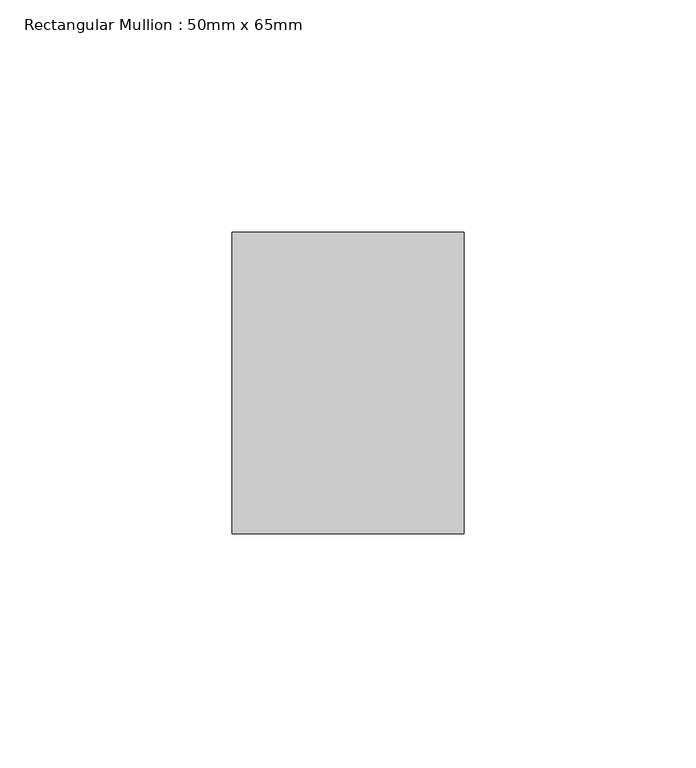
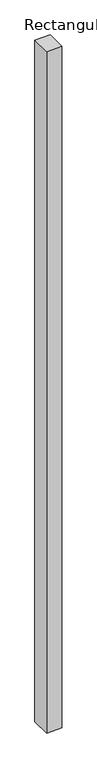
"""IFC4 building model written with IfcOpenShell, lengths in millimetres: member geometry, Rectangular Mullion : 50mm x 65mm."""

from ifc_helpers import new_model, si_unit, frame, origin, place, context, project, spatial, polyline, outline, extrude, source, transform, mapped, element, save


def rectangular_mullion_50mm_x_65mm_94b37ef1(model_context):
    return source(origin(), model_context, "Body", "SweptSolid", [
        extrude(outline(polyline([(25.0, 32.5), (25.0, -32.5), (-25.0, -32.5), (-25.0, 32.5), (25.0, 32.5)])), frame((0.0, 0.0, -2332.1773805), z_axis=(0.0, 0.0, 1.0), x_axis=(1.0, 0.0, 0.0)), (0.0, 0.0, 1.0), 2332.1773805),
    ])


if __name__ == "__main__":
    model = new_model("IFC4")
    model_context = context("Model", 3, world=origin())
    ifc_project = project(units=[si_unit("LENGTHUNIT", "METRE", prefix="MILLI")], contexts=[model_context])
    site = spatial("IfcSite", under=ifc_project)
    building = spatial("IfcBuilding", under=site)
    placement = place(None, origin())
    rectangular_mullion_50mm_x_65mm_shape = rectangular_mullion_50mm_x_65mm_94b37ef1(model_context)
    element("IfcMember", 1, ObjectType="Rectangular Mullion : 50mm x 65mm", at=placement, inside=building, context=model_context, shape_type="MappedRepresentation", body=[
        mapped(rectangular_mullion_50mm_x_65mm_shape, transform((0.0, 0.0, 0.0), x_axis=(1.0, 0.0, 0.0), y_axis=(0.0, 1.0, 0.0), z_axis=(0.0, 0.0, 1.0))),
    ])
    save(model, "model.ifc")
